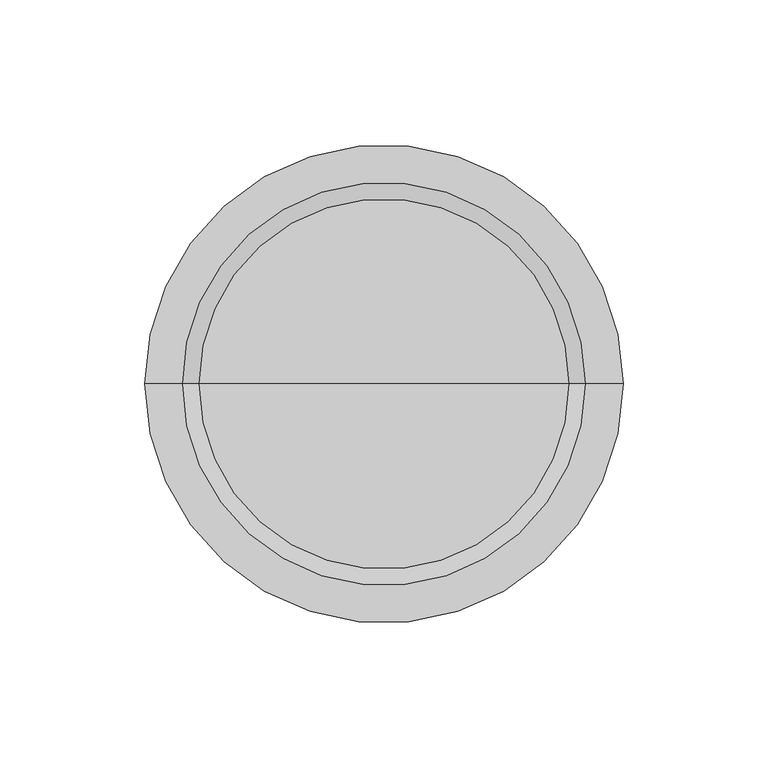
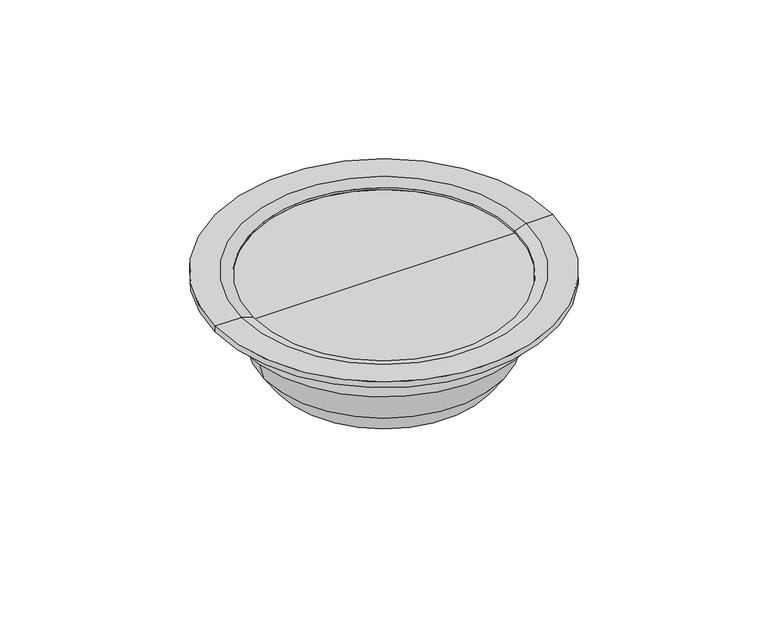
"""IFC4 building model written with IfcOpenShell, lengths in millimetres: light fixture geometry."""

from ifc_helpers import new_model, si_unit, frame, origin, place, context, project, spatial, polyline, circle_curve, source, transform, mapped, element, save
from ifc_brep_helpers import plane_surface, cylinder_surface, revolved_surface, advanced_brep


def light_fixture_d061b765(model_context):
    return source(origin(), model_context, "Body", "AdvancedBrep", [
        advanced_brep(
        [(0.0, 0.0, -42.9998325), (51.5547519, 0.0, -42.9998325), (-51.5547519, 0.0, -42.9998325), (64.0, 0.0, 0.0), (0.0, 0.0, 0.0), (-64.0, 0.0, 0.0), (64.0, 0.0, 1.0), (-64.0, 0.0, 1.0), (69.4998522, 0.0, 3.0), (-69.4998522, 0.0, 3.0), (82.4998635, 0.0, 3.0), (-82.4998635, 0.0, 3.0), (82.4998635, 0.0, 0.0), (-82.4998635, 0.0, 0.0), (70.0, 0.0, 0.0), (-70.0, 0.0, 0.0), (70.0, 0.0, -13.5), (-70.0, 0.0, -13.5), (63.5399278, 0.0, -13.5), (-63.5399278, 0.0, -13.5), (58.5455071, 0.0, -32.5998325), (-58.5455071, 0.0, -32.5998325)],
        [
            (0, 1),
            (1, 2, circle_curve(frame((0.0, 0.0, -42.9998325), z_axis=(0.0, 0.0, -1.0), x_axis=(-1.0, 0.0, 0.0)), 51.5547519)),
            (2, 0),
            (2, 1, circle_curve(frame((0.0, 0.0, -42.9998325), z_axis=(0.0, 0.0, -1.0), x_axis=(-1.0, 0.0, 0.0)), 51.5547519)),
            (3, 4),
            (4, 5),
            (5, 3, circle_curve(frame((0.0, 0.0, 0.0), z_axis=(0.0, 0.0, 1.0), x_axis=(-1.0, 0.0, 0.0)), 64.0)),
            (3, 5, circle_curve(frame((0.0, 0.0, 0.0), z_axis=(0.0, 0.0, 1.0), x_axis=(-1.0, 0.0, 0.0)), 64.0)),
            (6, 3),
            (5, 7),
            (7, 6, circle_curve(frame((0.0, 0.0, 1.0), z_axis=(0.0, 0.0, 1.0), x_axis=(-1.0, 0.0, 0.0)), 64.0)),
            (6, 7, circle_curve(frame((0.0, 0.0, 1.0), z_axis=(0.0, 0.0, 1.0), x_axis=(-1.0, 0.0, 0.0)), 64.0)),
            (8, 6),
            (7, 9),
            (9, 8, circle_curve(frame((0.0, 0.0, 3.0), z_axis=(0.0, 0.0, 1.0), x_axis=(-1.0, 0.0, 0.0)), 69.4998522)),
            (8, 9, circle_curve(frame((0.0, 0.0, 3.0), z_axis=(0.0, 0.0, 1.0), x_axis=(-1.0, 0.0, 0.0)), 69.4998522)),
            (10, 8),
            (9, 11),
            (11, 10, circle_curve(frame((0.0, 0.0, 3.0), z_axis=(0.0, 0.0, 1.0), x_axis=(-1.0, 0.0, 0.0)), 82.4998635)),
            (10, 11, circle_curve(frame((0.0, 0.0, 3.0), z_axis=(0.0, 0.0, 1.0), x_axis=(-1.0, 0.0, 0.0)), 82.4998635)),
            (12, 10),
            (11, 13),
            (13, 12, circle_curve(frame((0.0, 0.0, 0.0), z_axis=(0.0, 0.0, 1.0), x_axis=(-1.0, 0.0, 0.0)), 82.4998635)),
            (12, 13, circle_curve(frame((0.0, 0.0, 0.0), z_axis=(0.0, 0.0, 1.0), x_axis=(-1.0, 0.0, 0.0)), 82.4998635)),
            (14, 12),
            (13, 15),
            (15, 14, circle_curve(frame((0.0, 0.0, 0.0), z_axis=(0.0, 0.0, 1.0), x_axis=(-1.0, 0.0, 0.0)), 70.0)),
            (14, 15, circle_curve(frame((0.0, 0.0, 0.0), z_axis=(0.0, 0.0, 1.0), x_axis=(-1.0, 0.0, 0.0)), 70.0)),
            (16, 14),
            (15, 17),
            (17, 16, circle_curve(frame((0.0, 0.0, -13.5), z_axis=(0.0, 0.0, 1.0), x_axis=(-1.0, 0.0, 0.0)), 70.0)),
            (16, 17, circle_curve(frame((0.0, 0.0, -13.5), z_axis=(0.0, 0.0, 1.0), x_axis=(-1.0, 0.0, 0.0)), 70.0)),
            (18, 16),
            (17, 19),
            (19, 18, circle_curve(frame((0.0, 0.0, -13.5), z_axis=(0.0, 0.0, 1.0), x_axis=(-1.0, 0.0, 0.0)), 63.5399278)),
            (18, 19, circle_curve(frame((0.0, 0.0, -13.5), z_axis=(0.0, 0.0, 1.0), x_axis=(-1.0, 0.0, 0.0)), 63.5399278)),
            (20, 18),
            (19, 21),
            (21, 20, circle_curve(frame((0.0, 0.0, -32.5998325), z_axis=(0.0, 0.0, 1.0), x_axis=(-1.0, 0.0, 0.0)), 58.5455071)),
            (20, 21, circle_curve(frame((0.0, 0.0, -32.5998325), z_axis=(0.0, 0.0, 1.0), x_axis=(-1.0, 0.0, 0.0)), 58.5455071)),
            (1, 20),
            (21, 2),
        ],
        [
            plane_surface(frame((0.0, 0.0, -42.9998325), z_axis=(0.0, 0.0, -1.0), x_axis=(-1.0, 0.0, 0.0))),
            plane_surface(frame((0.0, 0.0, 0.0), z_axis=(0.0, 0.0, 1.0), x_axis=(-1.0, 0.0, 0.0))),
            revolved_surface(polyline([(-64.0, 0.0, 0.0), (-64.0, 0.0, 1.0)]), (0.0, 0.0, 0.0), (0.0, 0.0, -1.0)),
            revolved_surface(polyline([(-64.0, 0.0, 1.0), (-69.4998522, 0.0, 3.0)]), (0.0, 0.0, 0.0), (0.0, 0.0, -1.0)),
            plane_surface(frame((0.0, 0.0, 3.0), z_axis=(0.0, 0.0, 1.0), x_axis=(-1.0, 0.0, 0.0))),
            cylinder_surface(frame((0.0, 0.0, 0.0), z_axis=(0.0, 0.0, -1.0), x_axis=(-1.0, 0.0, 0.0)), 82.4998635),
            plane_surface(frame((0.0, 0.0, 0.0), z_axis=(0.0, 0.0, -1.0), x_axis=(-1.0, 0.0, 0.0))),
            cylinder_surface(frame((0.0, 0.0, 0.0), z_axis=(0.0, 0.0, -1.0), x_axis=(-1.0, 0.0, 0.0)), 70.0),
            plane_surface(frame((0.0, 0.0, -13.5), z_axis=(0.0, 0.0, -1.0), x_axis=(-1.0, 0.0, 0.0))),
            revolved_surface(polyline([(-63.5399278, 0.0, -13.5), (-58.5455071, 0.0, -32.5998325)]), (0.0, 0.0, 0.0), (0.0, 0.0, -1.0)),
            revolved_surface(polyline([(-58.5455071, 0.0, -32.5998325), (-51.5547519, 0.0, -42.9998325)]), (0.0, 0.0, 0.0), (0.0, 0.0, -1.0)),
        ],
        [
            (0, [[1, 2, 3]]),
            (0, [[-3, 4, -1]]),
            (1, [[5, 6, 7]]),
            (1, [[-6, -5, 8]]),
            (2, [[9, -7, 10, 11]]),
            (2, [[-10, -8, -9, 12]]),
            (3, [[13, -11, 14, 15]]),
            (3, [[-14, -12, -13, 16]]),
            (4, [[17, -15, 18, 19]]),
            (4, [[-18, -16, -17, 20]]),
            (5, [[21, -19, 22, 23]]),
            (5, [[-22, -20, -21, 24]]),
            (6, [[25, -23, 26, 27]]),
            (6, [[-26, -24, -25, 28]]),
            (7, [[29, -27, 30, 31]]),
            (7, [[-30, -28, -29, 32]]),
            (8, [[33, -31, 34, 35]]),
            (8, [[-34, -32, -33, 36]]),
            (9, [[37, -35, 38, 39]]),
            (9, [[-38, -36, -37, 40]]),
            (10, [[41, -39, 42, -2]]),
            (10, [[-42, -40, -41, -4]]),
        ],
    ),
    ])


if __name__ == "__main__":
    model = new_model("IFC4")
    model_context = context("Model", 3, world=origin())
    ifc_project = project(units=[si_unit("LENGTHUNIT", "METRE", prefix="MILLI")], contexts=[model_context])
    site = spatial("IfcSite", under=ifc_project)
    building = spatial("IfcBuilding", under=site)
    placement = place(None, origin())
    light_fixture_shape = light_fixture_d061b765(model_context)
    element("IfcLightFixture", 1, at=placement, inside=building, context=model_context, shape_type="MappedRepresentation", body=[
        mapped(light_fixture_shape, transform((0.0, 0.0, 0.0), x_axis=(1.0, 0.0, 0.0), y_axis=(0.0, 1.0, 0.0), z_axis=(0.0, 0.0, 1.0))),
    ])
    save(model, "model.ifc")
